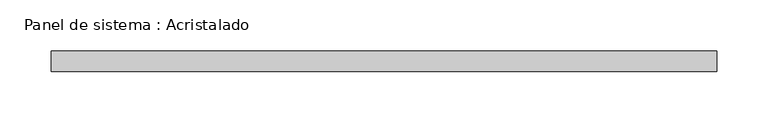
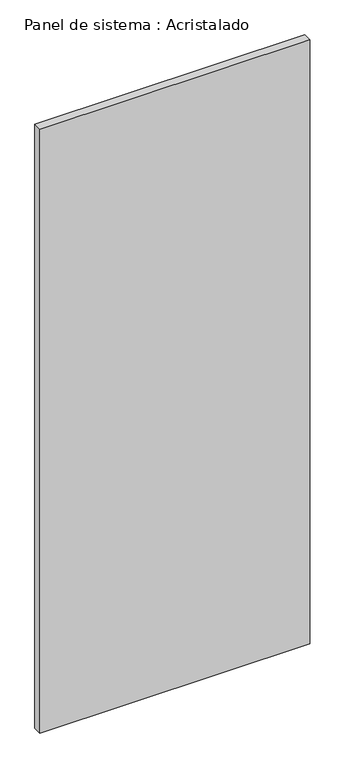
"""IFC4 building model written with IfcOpenShell, lengths in millimetres: plate geometry, Panel de sistema : Acristalado."""

import ifcopenshell
import ifcopenshell.guid

model = None  # the IFC model being written
_history = None  # IfcOwnerHistory: only IFC2X3 demands one
_inside = {}  # id of a spatial element -> (the spatial element, [elements in it])
_under = {}  # id of a project, library or spatial element -> (it, [spatial elements below it])
_declared = {}  # id of a project -> (the project, [libraries it declares])
_typed = {}  # id of a type object -> (the type object, [elements of that type])
_made_of = {}  # id of a material, layer set ... -> (it, [elements and type objects made of it])


def new_model(schema):
    """Start an empty IFC model of exactly this schema.

    Asked for "IFC4X3", IfcOpenShell would pick the latest addendum, in which some entities
    have other attributes; the version numbers below select the first issue.
    IFC2X3 requires an IfcOwnerHistory on every rooted entity: one is made here for all.
    """
    global model, _history
    if schema == "IFC4X3":
        model = ifcopenshell.file(schema_version=(4, 3, 0, 0))
    else:
        model = ifcopenshell.file(schema=schema)
    _inside.clear()
    _under.clear()
    _declared.clear()
    _typed.clear()
    _made_of.clear()
    _history = None
    if model.schema == "IFC2X3":
        org = make("IfcOrganization", Name="unknown")
        user = make(
            "IfcPersonAndOrganization",
            ThePerson=make("IfcPerson", FamilyName="unknown"),
            TheOrganization=org,
        )
        app = make(
            "IfcApplication",
            ApplicationDeveloper=org,
            Version="unknown",
            ApplicationFullName="unknown",
            ApplicationIdentifier="unknown",
        )
        _history = make(
            "IfcOwnerHistory",
            OwningUser=user,
            OwningApplication=app,
            ChangeAction="ADDED",
            CreationDate=0,
        )
    return model


def make(cls, **values):
    """One entity of the class cls with the attributes given. An attribute that is None is left unset."""
    return model.create_entity(
        cls, **{name: value for name, value in values.items() if value is not None}
    )


def rooted(cls, **values):
    """An entity with a GlobalId (a new one), such as an element, a storey or a relation."""
    return make(cls, GlobalId=ifcopenshell.guid.new(), OwnerHistory=_history, **values)


def si_unit(unit_type, name, prefix=None):
    """IfcSIUnit, for example si_unit("LENGTHUNIT", "METRE", prefix="MILLI")."""
    return make("IfcSIUnit", UnitType=unit_type, Prefix=prefix, Name=name)


def assignment(units):
    """IfcUnitAssignment: the units of a project."""
    return None if units is None else make("IfcUnitAssignment", Units=units)


def point(xyz):
    """IfcCartesianPoint."""
    return None if xyz is None else make("IfcCartesianPoint", Coordinates=xyz)


def direction(xyz):
    """IfcDirection."""
    return None if xyz is None else make("IfcDirection", DirectionRatios=xyz)


def frame(location, z_axis=None, x_axis=None):
    """IfcAxis2Placement3D, a coordinate frame: its origin and axes. An axis left out is left unset."""
    return make(
        "IfcAxis2Placement3D",
        Location=point(location),
        Axis=direction(z_axis),
        RefDirection=direction(x_axis),
    )


def origin():
    """The frame at (0, 0, 0) with its axes left unset."""
    return frame((0.0, 0.0, 0.0))


def origin_with_axes():
    """The frame at (0, 0, 0) with the z axis (0, 0, 1) and the x axis (1, 0, 0) written out."""
    return frame((0.0, 0.0, 0.0), z_axis=(0.0, 0.0, 1.0), x_axis=(1.0, 0.0, 0.0))


def place(relative_to, where):
    """IfcLocalPlacement: puts the frame where relative to a parent placement (None: the world)."""
    return make(
        "IfcLocalPlacement", PlacementRelTo=relative_to, RelativePlacement=where
    )


def context(
    kind, dimensions, precision=None, world=None, true_north=None, identifier=None
):
    """IfcGeometricRepresentationContext, for example the 3D "Model" context."""
    return make(
        "IfcGeometricRepresentationContext",
        ContextIdentifier=identifier,
        ContextType=kind,
        CoordinateSpaceDimension=dimensions,
        Precision=precision,
        WorldCoordinateSystem=world,
        TrueNorth=true_north,
    )


def project(units=None, contexts=None):
    """IfcProject with its units and contexts."""
    return rooted(
        "IfcProject",
        Name="project",
        RepresentationContexts=contexts,
        UnitsInContext=assignment(units),
    )


def spatial(cls, under=None, at=None, **own):
    """A site, building, storey or space (cls), placed at a placement, below another one or the project."""
    s = rooted(cls, ObjectPlacement=at, **own)
    if under is not None:
        _under.setdefault(under.id(), (under, []))[1].append(s)
    return s


def polyline(points):
    """IfcPolyline through the points."""
    return make("IfcPolyline", Points=[point(p) for p in points])


def outline(outer, holes=None, kind="AREA"):
    """IfcArbitraryClosedProfileDef: a profile drawn as a closed curve; with holes, ...WithVoids."""
    if holes is None:
        return make("IfcArbitraryClosedProfileDef", ProfileType=kind, OuterCurve=outer)
    return make(
        "IfcArbitraryProfileDefWithVoids",
        ProfileType=kind,
        OuterCurve=outer,
        InnerCurves=holes,
    )


def extrude(swept, where, along, depth):
    """IfcExtrudedAreaSolid: the profile swept, set in the frame where, extruded along a direction by depth."""
    return make(
        "IfcExtrudedAreaSolid",
        SweptArea=swept,
        Position=where,
        ExtrudedDirection=direction(along),
        Depth=depth,
    )


def shape(context_of_items, identifier, shape_type, items):
    """IfcShapeRepresentation: the items that make up one representation, for example the "Body"."""
    return make(
        "IfcShapeRepresentation",
        ContextOfItems=context_of_items,
        RepresentationIdentifier=identifier,
        RepresentationType=shape_type,
        Items=items,
    )


def source(mapping_origin, context_of_items, identifier, shape_type, items):
    """IfcRepresentationMap: a shape defined once, which mapped items show again and again."""
    return make(
        "IfcRepresentationMap",
        MappingOrigin=mapping_origin,
        MappedRepresentation=shape(context_of_items, identifier, shape_type, items),
    )


def transform(
    local_origin,
    x_axis=None,
    y_axis=None,
    z_axis=None,
    scale=None,
    scale2=None,
    scale3=None,
    uniform=True,
):
    """IfcCartesianTransformationOperator3D, or its non-uniform kind. x_axis, y_axis, z_axis: its Axis1, 2, 3."""
    if uniform:
        return make(
            "IfcCartesianTransformationOperator3D",
            Axis1=direction(x_axis),
            Axis2=direction(y_axis),
            LocalOrigin=point(local_origin),
            Scale=scale,
            Axis3=direction(z_axis),
        )
    return make(
        "IfcCartesianTransformationOperator3DnonUniform",
        Axis1=direction(x_axis),
        Axis2=direction(y_axis),
        LocalOrigin=point(local_origin),
        Scale=scale,
        Axis3=direction(z_axis),
        Scale2=scale2,
        Scale3=scale3,
    )


def mapped(mapping_source, mapping_target):
    """IfcMappedItem: shows the shape of a source again, moved by a transform."""
    return make(
        "IfcMappedItem", MappingSource=mapping_source, MappingTarget=mapping_target
    )


def made_of(thing, what):
    """Note that an element or type object is made of a material, layer set ...; save() writes the relation."""
    if what is not None:
        _made_of.setdefault(what.id(), (what, []))[1].append(thing)
    return thing


def element(
    cls,
    number,
    at=None,
    inside=None,
    cuts=None,
    type_object=None,
    material=None,
    context=None,
    identifier="Body",
    shape_type=None,
    held_by="IfcProductDefinitionShape",
    body=None,
    shapes=None,
    **own,
):
    """One element of the class cls, such as IfcWall. Its Tag is "e" and its number.

    at: its placement. inside: the storey or other place that contains it. cuts: it is an
    opening in that element (IfcRelVoidsElement). A single representation is given by context,
    identifier, shape_type and body (its items); several are given by shapes. held_by: the class
    of the entity that holds the representations. save() writes the other relations.
    """
    e = rooted(cls, Tag="e%d" % number, ObjectPlacement=at, **own)
    if body is not None:
        shapes = [shape(context, identifier, shape_type, body)]
    if shapes is not None:
        e.Representation = make(held_by, Representations=shapes)
    if inside is not None:
        _inside.setdefault(inside.id(), (inside, []))[1].append(e)
    if cuts is not None:
        rooted(
            "IfcRelVoidsElement", RelatingBuildingElement=cuts, RelatedOpeningElement=e
        )
    if type_object is not None:
        _typed.setdefault(type_object.id(), (type_object, []))[1].append(e)
    return made_of(e, material)


def aggregate(whole, parts):
    """IfcRelAggregates: a whole, such as a stair, and the parts it consists of."""
    return rooted("IfcRelAggregates", RelatingObject=whole, RelatedObjects=parts)


def save(model, path):
    """Write the relations noted so far, then the file.

    IfcRelAggregates (storeys below a building ...), IfcRelContainedInSpatialStructure (elements
    in a storey), IfcRelDefinesByType, IfcRelAssociatesMaterial and IfcRelDeclares: one each for
    every whole, place, type object, material and project.
    """
    for whole, parts in _under.values():
        aggregate(whole, parts)
    for where, things in _inside.values():
        rooted(
            "IfcRelContainedInSpatialStructure",
            RelatedElements=things,
            RelatingStructure=where,
        )
    for kind, things in _typed.values():
        rooted("IfcRelDefinesByType", RelatedObjects=things, RelatingType=kind)
    for what, things in _made_of.values():
        rooted("IfcRelAssociatesMaterial", RelatedObjects=things, RelatingMaterial=what)
    for by, libraries in _declared.values():
        rooted("IfcRelDeclares", RelatingContext=by, RelatedDefinitions=libraries)
    model.write(path)


def panel_de_sistema_acristalado_324aa7ff(model_context):
    return source(origin(), model_context, "Body", "SweptSolid", [
        extrude(outline(polyline([(325.0, -10.0), (-325.0, -10.0), (-325.0, 10.0), (325.0, 10.0), (325.0, -10.0)])), origin_with_axes(), (0.0, 0.0, 1.0), 1537.5081994),
    ])


if __name__ == "__main__":
    model = new_model("IFC4")
    model_context = context("Model", 3, world=origin())
    ifc_project = project(units=[si_unit("LENGTHUNIT", "METRE", prefix="MILLI")], contexts=[model_context])
    site = spatial("IfcSite", under=ifc_project)
    building = spatial("IfcBuilding", under=site)
    placement = place(None, origin())
    panel_de_sistema_acristalado_shape = panel_de_sistema_acristalado_324aa7ff(model_context)
    element("IfcPlate", 1, ObjectType="Panel de sistema : Acristalado", at=placement, inside=building, context=model_context, shape_type="MappedRepresentation", body=[
        mapped(panel_de_sistema_acristalado_shape, transform((0.0, 0.0, 0.0), x_axis=(1.0, 0.0, 0.0), y_axis=(0.0, 1.0, 0.0), z_axis=(0.0, 0.0, 1.0))),
    ])
    save(model, "model.ifc")
